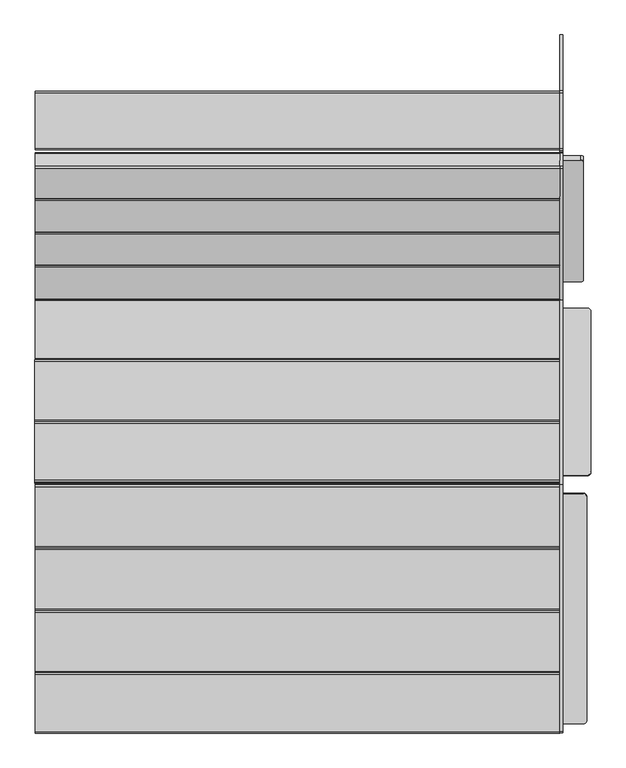
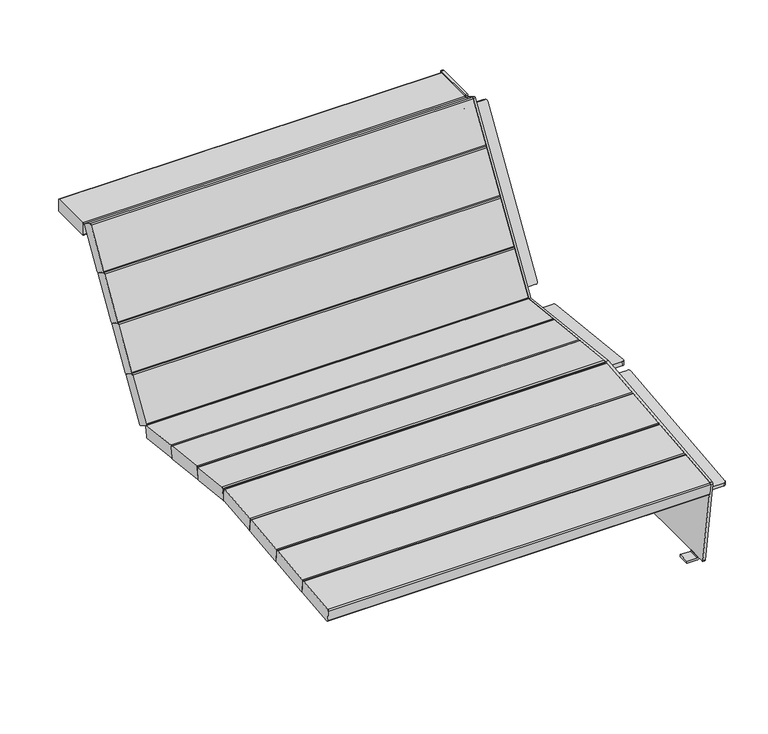
"""IFC4 building model written with IfcOpenShell, lengths in millimetres: furniture geometry."""

from ifc_helpers import new_model, si_unit, point, frame, frame_2d, origin, place, context, project, spatial, polyline, circle_curve, trimmed, segment, composite_curve, outline, extrude, source, transform, mapped, element, save
from ifc_brep_helpers import plane_surface, cylinder_surface, revolved_surface, advanced_brep


def furniture_2f84357f(model_context):
    return source(origin(), model_context, "Body", "SolidModel", [
        advanced_brep(
        [(657.0, -602.7666168, 11.1667328), (657.0, -602.7666168, 10.1913955), (654.9504798, -602.7666168, 8.1418753), (619.6140905, -602.7666168, 8.1418753), (619.6140905, -602.7666168, 0.0), (655.3306071, -602.7666168, 0.0), (664.3530995, -602.7666168, 9.0224925), (664.3530995, -602.7666168, 11.1667328), (664.3530995, -563.2447437, 9.0224925), (655.3306071, -563.2447437, 0.0), (619.6140905, -563.2447437, 0.0), (619.6140905, -563.2447437, 8.1418753), (654.9504798, -563.2447437, 8.1418753), (657.0, -563.2447437, 10.1913955), (657.0, -563.2447437, 11.1667328), (664.3530995, -563.2447437, 11.1667328), (664.3530995, 563.2447437, 11.1667328), (664.3530995, 563.2447437, 9.0224925), (664.3530995, 602.7666168, 9.0224925), (664.3530995, 602.7666168, 11.1667328), (664.3530995, 632.5906619, 11.1667328), (664.3530995, 773.4237437, 842.4923379), (664.3530995, 771.6128802, 846.5443154), (664.3530995, 739.2072979, 866.9704616), (664.3530995, 733.6829682, 865.7075655), (664.3530995, 404.0685244, 338.6611211), (664.3530995, -55.947887, 389.484152), (664.3530995, -674.4279697, 323.9359283), (664.3530995, -677.9699267, 319.3675424), (664.3530995, -633.0934986, 14.5818314), (664.3530995, -629.1387431, 11.1667328), (664.3530995, -78.8661308, 338.9146392), (664.3530995, -653.6519252, 278.0435414), (664.3530995, -654.9467804, 290.270434), (664.3530995, -80.160986, 351.1415319), (664.3530995, 382.3486398, 292.0493405), (664.3530995, -35.1599653, 337.72827), (664.3530995, -33.6978416, 351.0921834), (664.3530995, 383.8107636, 305.4132539), (664.3530995, 765.0097054, 825.034546), (664.3530995, 461.1781383, 337.8735415), (664.3530995, 449.6926183, 345.0368069), (664.3530995, 753.5241854, 832.1978113), (657.0, -629.1387431, 11.1667328), (657.0, -633.0934986, 14.5818314), (657.0, -677.9699267, 319.3675424), (657.0, -674.4279697, 323.9359283), (657.0, -55.947887, 389.484152), (657.0, 404.0685244, 338.6611211), (657.0, 733.6829682, 865.7075655), (657.0, 739.2072979, 866.9704616), (657.0, 771.6128802, 846.5443154), (657.0, 773.4237437, 842.4923379), (657.0, 632.5906619, 11.1667328), (657.0, 602.7666168, 11.1667328), (657.0, 602.7666168, 10.1913955), (657.0, 563.2447437, 10.1913955), (657.0, 563.2447437, 11.1667328), (657.0, -653.6519252, 278.0435414), (657.0, -78.8661308, 338.9146392), (657.0, -80.160986, 351.1415319), (657.0, -654.9467804, 290.270434), (657.0, -35.1599653, 337.72827), (657.0, 382.3486398, 292.0493405), (657.0, 383.8107636, 305.4132539), (657.0, -33.6978416, 351.0921834), (657.0, 461.1781383, 337.8735415), (657.0, 765.0097054, 825.034546), (657.0, 753.5241854, 832.1978113), (657.0, 449.6926183, 345.0368069), (655.3306071, 602.7666168, 0.0), (619.6140905, 602.7666168, 0.0), (619.6140905, 602.7666168, 8.1418753), (654.9504798, 602.7666168, 8.1418753), (654.9504798, 563.2447437, 8.1418753), (619.6140905, 563.2447437, 8.1418753), (619.6140905, 563.2447437, 0.0), (655.3306071, 563.2447437, 0.0), (604.4271055, -653.6519252, 278.0435414), (597.4149997, -646.6788132, 278.7820095), (597.4149997, -85.6883316, 338.192153), (605.3334086, -78.8661308, 338.9146392), (605.3334086, -80.160986, 351.1415319), (597.4149997, -86.9831868, 350.4190456), (597.4149997, -647.9736684, 291.0089021), (604.4271055, -654.9467804, 290.270434), (595.0, -35.1599653, 337.72827), (587.0, -27.2074205, 336.8581951), (587.0, 374.396095, 292.9194153), (595.0, 382.3486398, 292.0493405), (595.0, 383.8107636, 305.4132539), (587.0, 375.8582188, 306.2833288), (587.0, -25.7452967, 350.2221086), (595.0, -33.6978416, 351.0921834), (612.6860654, 765.0097054, 825.034546), (612.7281757, 461.1781383, 337.8735415), (605.7574577, 464.8669867, 343.7882103), (605.7574577, 760.7776544, 818.2489107), (612.6860654, 753.5241854, 832.1978113), (605.7574577, 749.2921345, 825.4121761), (605.7574577, 453.3814667, 350.9514757), (612.7281757, 449.6926183, 345.0368069), (716.0196909, -78.8661308, 338.9146392), (723.9380998, -85.6883316, 338.192153), (723.9380998, -646.6788132, 278.7820095), (716.925994, -653.6519252, 278.0435414), (716.925994, -654.9467804, 290.270434), (723.9380998, -647.9736684, 291.0089021), (723.9380998, -86.9831868, 350.4190456), (716.0196909, -80.160986, 351.1415319), (726.3530995, 382.3486398, 292.0493405), (734.3530995, 374.396095, 292.9194153), (734.3530995, -27.2074205, 336.8581951), (726.3530995, -35.1599653, 337.72827), (726.3530995, -33.6978416, 351.0921834), (734.3530995, -25.7452967, 350.2221086), (734.3530995, 375.8582188, 306.2833288), (726.3530995, 383.8107636, 305.4132539), (708.6670341, 765.0097054, 825.034546), (715.5956418, 760.7776544, 818.2489107), (715.5956418, 464.8669867, 343.7882103), (708.6249239, 461.1781383, 337.8735415), (708.6670341, 753.5241854, 832.1978113), (708.6249239, 449.6926183, 345.0368069), (715.5956418, 453.3814667, 350.9514757), (715.5956418, 749.2921345, 825.4121761)],
        [
            (0, 1),
            (1, 2, circle_curve(frame((654.9504798, -602.7666168, 10.1913955), z_axis=(0.0, 1.0, 0.0), x_axis=(1.0, 0.0, 0.0)), 2.0495202)),
            (2, 3),
            (3, 4),
            (4, 5),
            (5, 6, circle_curve(frame((655.3306071, -602.7666168, 9.0224925), z_axis=(0.0, -1.0, 0.0), x_axis=(1.0, 0.0, 0.0)), 9.0224925)),
            (6, 7),
            (7, 0),
            (8, 9, circle_curve(frame((655.3306071, -563.2447437, 9.0224925), z_axis=(0.0, 1.0, 0.0), x_axis=(1.0, 0.0, 0.0)), 9.0224925)),
            (9, 10),
            (10, 11),
            (11, 12),
            (12, 13, circle_curve(frame((654.9504798, -563.2447437, 10.1913955), z_axis=(0.0, -1.0, 0.0), x_axis=(1.0, 0.0, 0.0)), 2.0495202)),
            (13, 14),
            (14, 15),
            (15, 8),
            (0, 14),
            (13, 1),
            (12, 2),
            (11, 3),
            (10, 4),
            (9, 5),
            (8, 6),
            (15, 16),
            (16, 17),
            (17, 18),
            (18, 19),
            (19, 20),
            (20, 21),
            (21, 22, circle_curve(frame((664.3530995, 769.4799351, 843.16045), z_axis=(1.0, 0.0, 0.0), x_axis=(0.0, 1.0, 0.0)), 4.0)),
            (22, 23),
            (23, 24, circle_curve(frame((664.3530995, 737.0743528, 863.5865962), z_axis=(1.0, 0.0, 0.0), x_axis=(0.0, 1.0, 0.0)), 4.0)),
            (24, 25),
            (25, 26),
            (26, 27),
            (27, 28, circle_curve(frame((664.3530995, -674.0056613, 319.951238), z_axis=(1.0, 0.0, 0.0), x_axis=(0.0, 1.0, 0.0)), 4.0070065)),
            (28, 29),
            (29, 30, circle_curve(frame((664.3530995, -629.1387431, 15.1641267), z_axis=(1.0, 0.0, 0.0), x_axis=(0.0, 1.0, 0.0)), 3.997394)),
            (30, 7),
            (31, 32),
            (32, 33),
            (33, 34),
            (34, 31),
            (35, 36),
            (36, 37),
            (37, 38),
            (38, 35),
            (39, 40),
            (40, 41),
            (41, 42),
            (42, 39),
            (0, 43),
            (43, 44, circle_curve(frame((657.0, -629.1387431, 15.1641267), z_axis=(-1.0, 0.0, 0.0), x_axis=(0.0, 1.0, 0.0)), 3.997394)),
            (44, 45),
            (45, 46, circle_curve(frame((657.0, -674.0056613, 319.951238), z_axis=(-1.0, 0.0, 0.0), x_axis=(0.0, 1.0, 0.0)), 4.0070065)),
            (46, 47),
            (47, 48),
            (48, 49),
            (49, 50, circle_curve(frame((657.0, 737.0743528, 863.5865962), z_axis=(-1.0, 0.0, 0.0), x_axis=(0.0, 1.0, 0.0)), 4.0)),
            (50, 51),
            (51, 52, circle_curve(frame((657.0, 769.4799351, 843.16045), z_axis=(-1.0, 0.0, 0.0), x_axis=(0.0, 1.0, 0.0)), 4.0)),
            (52, 53),
            (53, 54),
            (54, 55),
            (55, 56),
            (56, 57),
            (57, 14),
            (58, 59),
            (59, 60),
            (60, 61),
            (61, 58),
            (62, 63),
            (63, 64),
            (64, 65),
            (65, 62),
            (66, 67),
            (67, 68),
            (68, 69),
            (69, 66),
            (29, 44),
            (43, 30),
            (57, 16),
            (53, 20),
            (19, 54),
            (52, 21),
            (51, 22),
            (50, 23),
            (49, 24),
            (48, 25),
            (47, 26),
            (46, 27),
            (45, 28),
            (18, 70, circle_curve(frame((655.3306071, 602.7666168, 9.0224925), z_axis=(0.0, 1.0, 0.0), x_axis=(1.0, 0.0, 0.0)), 9.0224925)),
            (70, 71),
            (71, 72),
            (72, 73),
            (73, 55, circle_curve(frame((654.9504798, 602.7666168, 10.1913955), z_axis=(0.0, -1.0, 0.0), x_axis=(1.0, 0.0, 0.0)), 2.0495202)),
            (56, 74, circle_curve(frame((654.9504798, 563.2447437, 10.1913955), z_axis=(0.0, 1.0, 0.0), x_axis=(1.0, 0.0, 0.0)), 2.0495202)),
            (74, 75),
            (75, 76),
            (76, 77),
            (77, 17, circle_curve(frame((655.3306071, 563.2447437, 9.0224925), z_axis=(0.0, -1.0, 0.0), x_axis=(1.0, 0.0, 0.0)), 9.0224925)),
            (73, 74),
            (72, 75),
            (71, 76),
            (70, 77),
            (58, 78),
            (78, 79, circle_curve(frame((604.4271055, -646.6788132, 278.7820095), z_axis=(0.0, 0.10531331814140793, -0.9944390906546497), x_axis=(1.0, 0.0, 0.0)), 7.0121058)),
            (79, 80),
            (80, 81, circle_curve(frame((605.3334086, -86.8216436, 338.0721327), z_axis=(0.0, 0.10531331814140793, -0.9944390906546497), x_axis=(-1.0, 0.0, 0.0)), 8.0)),
            (81, 59),
            (60, 82),
            (82, 83, circle_curve(frame((605.3334086, -88.1164988, 350.2990253), z_axis=(0.0, -0.10531331814140793, 0.9944390906546497), x_axis=(-1.0, 0.0, 0.0)), 8.0)),
            (83, 84),
            (84, 85, circle_curve(frame((604.4271055, -647.9736684, 291.0089021), z_axis=(0.0, -0.10531331814140793, 0.9944390906546497), x_axis=(1.0, 0.0, 0.0)), 7.0121058)),
            (85, 61),
            (81, 82),
            (80, 83),
            (85, 78),
            (84, 79),
            (62, 86),
            (86, 87, circle_curve(frame((595.0, -27.2074205, 336.8581951), z_axis=(0.0, -0.10875935595835198, -0.9940681075718728), x_axis=(0.0, 0.9940681075718728, -0.10875935595835198)), 8.0)),
            (87, 88),
            (88, 89, circle_curve(frame((595.0, 374.396095, 292.9194153), z_axis=(0.0, -0.10875935595835198, -0.9940681075718728), x_axis=(0.0, 0.9940681075718728, -0.10875935595835198)), 8.0)),
            (89, 63),
            (64, 90),
            (90, 91, circle_curve(frame((595.0, 375.8582188, 306.2833288), z_axis=(0.0, 0.10875935595835198, 0.9940681075718728), x_axis=(0.0, 0.9940681075718728, -0.10875935595835198)), 8.0)),
            (91, 92),
            (92, 93, circle_curve(frame((595.0, -25.7452967, 350.2221086), z_axis=(0.0, 0.10875935595835198, 0.9940681075718728), x_axis=(0.0, 0.9940681075718728, -0.10875935595835198)), 8.0)),
            (93, 65),
            (89, 90),
            (88, 91),
            (87, 92),
            (86, 93),
            (94, 67),
            (66, 95),
            (95, 96, circle_curve(frame((612.7281757, 464.8669867, 343.7882103), z_axis=(0.0, 0.8485020904898253, -0.5291920279391936), x_axis=(1.0, 0.0, 0.0)), 6.970718)),
            (96, 97),
            (97, 94, circle_curve(frame((612.6860654, 761.3053612, 819.0950313), z_axis=(0.0, 0.8485020904898253, -0.5291920279391936), x_axis=(-1.0, 0.0, 0.0)), 7.0)),
            (98, 99, circle_curve(frame((612.6860654, 749.8198412, 826.2582967), z_axis=(0.0, -0.8485020904898253, 0.5291920279391936), x_axis=(-1.0, 0.0, 0.0)), 7.0)),
            (99, 100),
            (100, 101, circle_curve(frame((612.7281757, 453.3814667, 350.9514757), z_axis=(0.0, -0.8485020904898253, 0.5291920279391936), x_axis=(1.0, 0.0, 0.0)), 6.970718)),
            (101, 69),
            (68, 98),
            (97, 99),
            (98, 94),
            (101, 95),
            (100, 96),
            (31, 102),
            (102, 103, circle_curve(frame((716.0196909, -86.8216436, 338.0721327), z_axis=(0.0, 0.10531331814140794, -0.9944390906546497), x_axis=(1.0, 0.0, 0.0)), 8.0)),
            (103, 104),
            (104, 105, circle_curve(frame((716.925994, -646.6788132, 278.7820095), z_axis=(0.0, 0.10531331814140794, -0.9944390906546497), x_axis=(-1.0, 0.0, 0.0)), 7.0121058)),
            (105, 32),
            (33, 106),
            (106, 107, circle_curve(frame((716.925994, -647.9736684, 291.0089021), z_axis=(0.0, -0.10531331814140794, 0.9944390906546497), x_axis=(-1.0, 0.0, 0.0)), 7.0121058)),
            (107, 108),
            (108, 109, circle_curve(frame((716.0196909, -88.1164988, 350.2990253), z_axis=(0.0, -0.10531331814140794, 0.9944390906546497), x_axis=(1.0, 0.0, 0.0)), 8.0)),
            (109, 34),
            (109, 102),
            (108, 103),
            (105, 106),
            (104, 107),
            (35, 110),
            (110, 111, circle_curve(frame((726.3530995, 374.396095, 292.9194153), z_axis=(0.0, -0.10875935595835198, -0.9940681075718728), x_axis=(0.0, 0.9940681075718728, -0.10875935595835198)), 8.0)),
            (111, 112),
            (112, 113, circle_curve(frame((726.3530995, -27.2074205, 336.8581951), z_axis=(0.0, -0.10875935595835198, -0.9940681075718728), x_axis=(0.0, 0.9940681075718728, -0.10875935595835198)), 8.0)),
            (113, 36),
            (37, 114),
            (114, 115, circle_curve(frame((726.3530995, -25.7452967, 350.2221086), z_axis=(0.0, 0.10875935595835198, 0.9940681075718728), x_axis=(0.0, 0.9940681075718728, -0.10875935595835198)), 8.0)),
            (115, 116),
            (116, 117, circle_curve(frame((726.3530995, 375.8582188, 306.2833288), z_axis=(0.0, 0.10875935595835198, 0.9940681075718728), x_axis=(0.0, 0.9940681075718728, -0.10875935595835198)), 8.0)),
            (117, 38),
            (117, 110),
            (116, 111),
            (115, 112),
            (114, 113),
            (118, 119, circle_curve(frame((708.6670341, 761.3053612, 819.0950313), z_axis=(0.0, 0.8485020904898253, -0.5291920279391936), x_axis=(1.0, 0.0, 0.0)), 7.0)),
            (119, 120),
            (120, 121, circle_curve(frame((708.6249239, 464.8669867, 343.7882103), z_axis=(0.0, 0.8485020904898253, -0.5291920279391936), x_axis=(-1.0, 0.0, 0.0)), 6.970718)),
            (121, 40),
            (39, 118),
            (122, 42),
            (41, 123),
            (123, 124, circle_curve(frame((708.6249239, 453.3814667, 350.9514757), z_axis=(0.0, -0.8485020904898253, 0.5291920279391936), x_axis=(-1.0, 0.0, 0.0)), 6.970718)),
            (124, 125),
            (125, 122, circle_curve(frame((708.6670341, 749.8198412, 826.2582967), z_axis=(0.0, -0.8485020904898253, 0.5291920279391936), x_axis=(1.0, 0.0, 0.0)), 7.0)),
            (118, 122),
            (125, 119),
            (121, 123),
            (120, 124),
        ],
        [
            plane_surface(frame((657.0, -602.7666168, 11.1667328), z_axis=(0.0, -1.0, 0.0), x_axis=(0.0, 0.0, -1.0))),
            plane_surface(frame((657.0, -563.2447437, 11.1667328), z_axis=(0.0, 1.0, 0.0), x_axis=(0.0, 0.0, 1.0))),
            plane_surface(frame((657.0, -602.7666168, 11.1667328), z_axis=(-1.0, 0.0, 0.0), x_axis=(0.0, 1.0, 0.0))),
            revolved_surface(polyline([(657.0, -563.2447437, 10.1913955), (657.0, -602.7666168, 10.1913955)]), (654.9504798, -563.2447437, 10.1913955), (0.0, 1.0, 0.0)),
            plane_surface(frame((654.9504798, -602.7666168, 8.1418753), z_axis=(0.0, 0.0, 1.0), x_axis=(0.0, 1.0, 0.0))),
            plane_surface(frame((619.6140905, -602.7666168, 8.1418753), z_axis=(-1.0, 0.0, 0.0), x_axis=(0.0, 1.0, 0.0))),
            plane_surface(frame((619.6140905, -602.7666168, 0.0), z_axis=(0.0, 0.0, -1.0), x_axis=(0.0, 1.0, 0.0))),
            cylinder_surface(frame((655.3306071, -563.2447437, 9.0224925), z_axis=(0.0, -1.0, 0.0), x_axis=(1.0, 0.0, 0.0)), 9.0224925),
            plane_surface(frame((664.3530995, -602.7666168, 9.0224925), z_axis=(1.0, 0.0, 0.0), x_axis=(0.0, 1.0, 0.0))),
            plane_surface(frame((657.0, -602.7666168, 15.0954559), z_axis=(-1.0, 0.0, 0.0), x_axis=(0.0, 1.0, 0.0))),
            cylinder_surface(frame((657.0, -629.1387431, 15.1641267), z_axis=(1.0, 0.0, 0.0), x_axis=(0.0, 1.0, 0.0)), 3.997394),
            plane_surface(frame((664.3530995, -629.1387431, 11.1667328), z_axis=(0.0, 0.0, -1.0), x_axis=(-1.0, 0.0, 0.0))),
            plane_surface(frame((664.3530995, 632.5906619, 11.1667328), z_axis=(0.0, 0.985952147265219, -0.16702803148904108), x_axis=(-1.0, 0.0, 0.0))),
            cylinder_surface(frame((657.0, 769.4799351, 843.16045), z_axis=(1.0, 0.0, 0.0), x_axis=(0.0, 1.0, 0.0)), 4.0),
            plane_surface(frame((664.3530995, 771.6128802, 846.5443154), z_axis=(0.0, 0.5332362847455439, 0.845966349585354), x_axis=(-1.0, 0.0, 0.0))),
            cylinder_surface(frame((657.0, 737.0743528, 863.5865962), z_axis=(1.0, 0.0, 0.0), x_axis=(0.0, 1.0, 0.0)), 4.0),
            plane_surface(frame((664.3530995, 733.6829682, 865.7075655), z_axis=(0.0, -0.8478461383112661, 0.5302423273850114), x_axis=(-1.0, 0.0, 0.0))),
            plane_surface(frame((664.3530995, 404.0685244, 338.6611211), z_axis=(0.0, 0.10981275199900425, 0.9939522923653857), x_axis=(-1.0, 0.0, 0.0))),
            plane_surface(frame((664.3530995, -55.947887, 389.484152), z_axis=(0.0, -0.10539250642220668, 0.9944307012507434), x_axis=(-1.0, 0.0, 0.0))),
            cylinder_surface(frame((657.0, -674.0056613, 319.951238), z_axis=(1.0, 0.0, 0.0), x_axis=(0.0, 1.0, 0.0)), 4.0070065),
            plane_surface(frame((664.3530995, -677.9699267, 319.3675424), z_axis=(0.0, -0.9893334212997198, -0.14566873892291154), x_axis=(-1.0, 0.0, 0.0))),
            plane_surface(frame((657.0, 602.7666168, 15.0954559), z_axis=(0.0, 1.0, 0.0), x_axis=(0.0, 0.0, 1.0))),
            plane_surface(frame((657.0, 563.2447437, 15.0954559), z_axis=(0.0, -1.0, 0.0), x_axis=(0.0, 0.0, -1.0))),
            revolved_surface(polyline([(657.0, 563.2447437, 10.1913955), (657.0, 602.7666168, 10.1913955)]), (654.9504798, 563.2447437, 10.1913955), (0.0, -1.0, 0.0)),
            plane_surface(frame((619.6140905, 602.7666168, 8.1418753), z_axis=(0.0, 0.0, 1.0), x_axis=(0.0, -1.0, 0.0))),
            plane_surface(frame((619.6140905, 602.7666168, 0.0), z_axis=(-1.0, 0.0, 0.0), x_axis=(0.0, -1.0, 0.0))),
            plane_surface(frame((655.3306071, 602.7666168, 0.0), z_axis=(0.0, 0.0, -1.0), x_axis=(0.0, -1.0, 0.0))),
            cylinder_surface(frame((655.3306071, 563.2447437, 9.0224925), z_axis=(0.0, 1.0, 0.0), x_axis=(1.0, 0.0, 0.0)), 9.0224925),
            plane_surface(frame((607.6361934, -653.6519252, 278.0435414), z_axis=(0.0, 0.10531331814140793, -0.9944390906546497), x_axis=(-1.0, 0.0, 0.0))),
            plane_surface(frame((607.6361934, -654.9467804, 290.270434), z_axis=(0.0, -0.10531331814140793, 0.9944390906546497), x_axis=(1.0, 0.0, 0.0))),
            plane_surface(frame((605.3334086, -78.8661308, 338.9146392), z_axis=(0.0, 0.9944390906546499, 0.10531331814140715), x_axis=(0.0, -0.10531331814140715, 0.9944390906546499))),
            cylinder_surface(frame((605.3334086, -88.1164988, 350.2990253), z_axis=(0.0, 0.10531331814140793, -0.9944390906546497), x_axis=(-1.0, 0.0, 0.0)), 8.0),
            plane_surface(frame((657.0, -653.6519252, 278.0435414), z_axis=(0.0, -0.9944390906546492, -0.10531331814141288), x_axis=(0.0, -0.10531331814141288, 0.9944390906546492))),
            cylinder_surface(frame((604.4271055, -647.9736684, 291.0089021), z_axis=(0.0, 0.10531331814140793, -0.9944390906546497), x_axis=(1.0, 0.0, 0.0)), 7.0121058),
            plane_surface(frame((597.4149997, -646.6788132, 278.7820095), z_axis=(-1.0, 0.0, 0.0), x_axis=(0.0, -0.10531331814141288, 0.9944390906546492))),
            plane_surface(frame((657.0, -35.1599653, 337.72827), z_axis=(0.0, -0.10875935595835198, -0.9940681075718728), x_axis=(0.0, -0.9940681075718728, 0.10875935595835198))),
            plane_surface(frame((657.0, -33.6978416, 351.0921834), z_axis=(0.0, 0.10875935595835198, 0.9940681075718728), x_axis=(0.0, 0.9940681075718728, -0.10875935595835198))),
            plane_surface(frame((595.0, 382.3486398, 292.0493405), z_axis=(0.0, 0.9940681075718729, -0.10875935595835155), x_axis=(0.0, 0.10875935595835155, 0.9940681075718729))),
            cylinder_surface(frame((595.0, 375.8582188, 306.2833288), z_axis=(0.0, -0.10875935595835198, -0.9940681075718728), x_axis=(0.0, 0.9940681075718728, -0.10875935595835198)), 8.0),
            plane_surface(frame((587.0, -27.2074205, 336.8581951), z_axis=(-1.0, 0.0, 0.0), x_axis=(0.0, 0.10875935595835222, 0.9940681075718728))),
            cylinder_surface(frame((595.0, -25.7452967, 350.2221086), z_axis=(0.0, -0.10875935595835198, -0.9940681075718728), x_axis=(0.0, 0.9940681075718728, -0.10875935595835198)), 8.0),
            plane_surface(frame((657.0, -35.1599653, 337.72827), z_axis=(0.0, -0.9940681075718728, 0.1087593559583519), x_axis=(0.0, 0.1087593559583519, 0.9940681075718728))),
            plane_surface(frame((657.1685248, 765.0097054, 825.034546), z_axis=(0.0, 0.8485020904898253, -0.5291920279391936), x_axis=(1.0, 0.0, 0.0))),
            plane_surface(frame((657.1685248, 753.5241854, 832.1978113), z_axis=(0.0, -0.8485020904898253, 0.5291920279391936), x_axis=(-1.0, 0.0, 0.0))),
            cylinder_surface(frame((612.6860654, 749.8198412, 826.2582967), z_axis=(0.0, 0.8485020904898253, -0.5291920279391936), x_axis=(-1.0, 0.0, 0.0)), 7.0),
            plane_surface(frame((657.0, 461.1781383, 337.8735415), z_axis=(0.0, -0.5291920279391971, -0.8485020904898233), x_axis=(0.0, -0.8485020904898233, 0.5291920279391971))),
            plane_surface(frame((612.6860654, 765.0097054, 825.034546), z_axis=(0.0, 0.5291920279391971, 0.8485020904898233), x_axis=(0.0, -0.8485020904898233, 0.5291920279391971))),
            cylinder_surface(frame((612.7281757, 453.3814667, 350.9514757), z_axis=(0.0, 0.8485020904898253, -0.5291920279391936), x_axis=(1.0, 0.0, 0.0)), 6.970718),
            plane_surface(frame((605.7574577, 464.8669867, 343.7882103), z_axis=(-1.0, 0.0, 0.0), x_axis=(0.0, -0.8485020904898283, 0.529192027939189))),
            plane_surface(frame((664.3530995, -653.6519252, 278.0435414), z_axis=(0.0, 0.10531331814140794, -0.9944390906546497), x_axis=(0.0, 0.9944390906546497, 0.10531331814140794))),
            plane_surface(frame((664.3530995, -654.9467804, 290.270434), z_axis=(0.0, -0.10531331814140794, 0.9944390906546497), x_axis=(0.0, -0.9944390906546497, -0.10531331814140794))),
            plane_surface(frame((664.3530995, -78.8661308, 338.9146392), z_axis=(0.0, 0.9944390906546499, 0.10531331814140715), x_axis=(0.0, -0.10531331814140715, 0.9944390906546499))),
            cylinder_surface(frame((716.0196909, -88.1164988, 350.2990253), z_axis=(0.0, 0.10531331814140794, -0.9944390906546497), x_axis=(1.0, 0.0, 0.0)), 8.0),
            plane_surface(frame((716.925994, -653.6519252, 278.0435414), z_axis=(0.0, -0.9944390906546492, -0.10531331814141288), x_axis=(0.0, -0.10531331814141288, 0.9944390906546492))),
            cylinder_surface(frame((716.925994, -647.9736684, 291.0089021), z_axis=(0.0, 0.10531331814140794, -0.9944390906546497), x_axis=(-1.0, 0.0, 0.0)), 7.0121058),
            plane_surface(frame((723.9380998, -85.6883316, 338.192153), z_axis=(1.0, 0.0, 0.0), x_axis=(0.0, -0.10531331814140715, 0.9944390906546499))),
            plane_surface(frame((664.3530995, 382.3486398, 292.0493405), z_axis=(0.0, -0.10875935595835198, -0.9940681075718728), x_axis=(1.0, 0.0, 0.0))),
            plane_surface(frame((664.3530995, 383.8107636, 305.4132539), z_axis=(0.0, 0.10875935595835198, 0.9940681075718728), x_axis=(-1.0, 0.0, 0.0))),
            plane_surface(frame((664.3530995, 382.3486398, 292.0493405), z_axis=(0.0, 0.9940681075718729, -0.10875935595835155), x_axis=(0.0, 0.10875935595835155, 0.9940681075718729))),
            cylinder_surface(frame((726.3530995, 375.8582188, 306.2833288), z_axis=(0.0, -0.10875935595835198, -0.9940681075718728), x_axis=(0.0, 0.9940681075718728, -0.10875935595835198)), 8.0),
            plane_surface(frame((734.3530995, 374.396095, 292.9194153), z_axis=(1.0, 0.0, 0.0), x_axis=(0.0, 0.10875935595835155, 0.9940681075718729))),
            cylinder_surface(frame((726.3530995, -25.7452967, 350.2221086), z_axis=(0.0, -0.10875935595835198, -0.9940681075718728), x_axis=(0.0, 0.9940681075718728, -0.10875935595835198)), 8.0),
            plane_surface(frame((726.3530995, -35.1599653, 337.72827), z_axis=(0.0, -0.9940681075718729, 0.10875935595835183), x_axis=(0.0, 0.10875935595835183, 0.9940681075718729))),
            plane_surface(frame((715.6670341, 761.3053612, 819.0950313), z_axis=(0.0, 0.8485020904898254, -0.5291920279391936), x_axis=(0.0, -0.5291920279391936, -0.8485020904898254))),
            plane_surface(frame((715.6670341, 749.8198412, 826.2582967), z_axis=(0.0, -0.8485020904898254, 0.5291920279391936), x_axis=(0.0, 0.5291920279391936, 0.8485020904898254))),
            cylinder_surface(frame((708.6670341, 749.8198412, 826.2582967), z_axis=(0.0, 0.8485020904898253, -0.5291920279391936), x_axis=(1.0, 0.0, 0.0)), 7.0),
            plane_surface(frame((708.6249239, 461.1781383, 337.8735415), z_axis=(0.0, -0.5291920279391912, -0.8485020904898268), x_axis=(0.0, -0.8485020904898268, 0.5291920279391912))),
            plane_surface(frame((664.3530995, 765.0097054, 825.034546), z_axis=(0.0, 0.5291920279391971, 0.8485020904898233), x_axis=(0.0, -0.8485020904898233, 0.5291920279391971))),
            cylinder_surface(frame((708.6249239, 453.3814667, 350.9514757), z_axis=(0.0, 0.8485020904898253, -0.5291920279391936), x_axis=(-1.0, 0.0, 0.0)), 6.970718),
            plane_surface(frame((715.5956418, 760.7776544, 818.2489107), z_axis=(1.0000000000000002, 0.0, 0.0), x_axis=(0.0, -0.8485020904898233, 0.5291920279391971))),
        ],
        [
            (0, [[1, 2, 3, 4, 5, 6, 7, 8]]),
            (1, [[9, 10, 11, 12, 13, 14, 15, 16]]),
            (2, [[-1, 17, -14, 18]]),
            (3, [[-2, -18, -13, 19]]),
            (4, [[-3, -19, -12, 20]]),
            (5, [[-4, -20, -11, 21]]),
            (6, [[-5, -21, -10, 22]]),
            (7, [[-6, -22, -9, 23]]),
            (8, [[-23, -16, 24, 25, 26, 27, 28, 29, 30, 31, 32, 33, 34, 35, 36, 37, 38, 39, -7], [40, 41, 42, 43], [44, 45, 46, 47], [48, 49, 50, 51]]),
            (9, [[-17, 52, 53, 54, 55, 56, 57, 58, 59, 60, 61, 62, 63, 64, 65, 66, 67], [68, 69, 70, 71], [72, 73, 74, 75], [76, 77, 78, 79]]),
            (10, [[-38, 80, -53, 81]]),
            (11, [[-15, -67, 82, -24]]),
            (11, [[-81, -52, -8, -39]]),
            (11, [[83, -28, 84, -63]]),
            (12, [[-29, -83, -62, 85]]),
            (13, [[-30, -85, -61, 86]]),
            (14, [[-31, -86, -60, 87]]),
            (15, [[-32, -87, -59, 88]]),
            (16, [[-33, -88, -58, 89]]),
            (17, [[-34, -89, -57, 90]]),
            (18, [[-35, -90, -56, 91]]),
            (19, [[-36, -91, -55, 92]]),
            (20, [[-37, -92, -54, -80]]),
            (21, [[93, 94, 95, 96, 97, -64, -84, -27]]),
            (22, [[-66, 98, 99, 100, 101, 102, -25, -82]]),
            (23, [[-97, 103, -98, -65]]),
            (24, [[-96, 104, -99, -103]]),
            (25, [[-95, 105, -100, -104]]),
            (26, [[-94, 106, -101, -105]]),
            (27, [[-93, -26, -102, -106]]),
            (28, [[107, 108, 109, 110, 111, -68]]),
            (29, [[112, 113, 114, 115, 116, -70]]),
            (30, [[-111, 117, -112, -69]]),
            (31, [[-110, 118, -113, -117]]),
            (32, [[-107, -71, -116, 119]]),
            (33, [[-108, -119, -115, 120]]),
            (34, [[-109, -120, -114, -118]]),
            (35, [[121, 122, 123, 124, 125, -72]]),
            (36, [[126, 127, 128, 129, 130, -74]]),
            (37, [[-125, 131, -126, -73]]),
            (38, [[-124, 132, -127, -131]]),
            (39, [[-123, 133, -128, -132]]),
            (40, [[-122, 134, -129, -133]]),
            (41, [[-121, -75, -130, -134]]),
            (42, [[135, -76, 136, 137, 138, 139]]),
            (43, [[140, 141, 142, 143, -78, 144]]),
            (44, [[-139, 145, -140, 146]]),
            (45, [[-136, -79, -143, 147]]),
            (46, [[-135, -146, -144, -77]]),
            (47, [[-137, -147, -142, 148]]),
            (48, [[-138, -148, -141, -145]]),
            (49, [[149, 150, 151, 152, 153, -40]]),
            (50, [[154, 155, 156, 157, 158, -42]]),
            (51, [[-149, -43, -158, 159]]),
            (52, [[-150, -159, -157, 160]]),
            (53, [[-153, 161, -154, -41]]),
            (54, [[-152, 162, -155, -161]]),
            (55, [[-151, -160, -156, -162]]),
            (56, [[163, 164, 165, 166, 167, -44]]),
            (57, [[168, 169, 170, 171, 172, -46]]),
            (58, [[-163, -47, -172, 173]]),
            (59, [[-164, -173, -171, 174]]),
            (60, [[-165, -174, -170, 175]]),
            (61, [[-166, -175, -169, 176]]),
            (62, [[-167, -176, -168, -45]]),
            (63, [[177, 178, 179, 180, -48, 181]]),
            (64, [[182, -50, 183, 184, 185, 186]]),
            (65, [[-177, 187, -186, 188]]),
            (66, [[-180, 189, -183, -49]]),
            (67, [[-181, -51, -182, -187]]),
            (68, [[-179, 190, -184, -189]]),
            (69, [[-178, -188, -185, -190]]),
        ],
    ),
        extrude(outline(composite_curve([segment(polyline([(689.8360354, 718.7427227), (658.4414581, 738.3228278)]), True, "CONTINUOUS"), segment(trimmed(circle_curve(frame_2d((660.5582262, 741.7168361)), 4.0), [point((658.4414581, 738.3228278))], [point((657.1642178, 743.8336042))], False, "CARTESIAN"), True, "CONTINUOUS"), segment(polyline([(657.1642178, 743.8336042), (733.4991308, 866.2283681)]), True, "CONTINUOUS"), segment(trimmed(circle_curve(frame_2d((736.8931392, 864.1115999)), 4.0), [point((733.4991308, 866.2283681))], [point((739.0099073, 867.5056083))], False, "CARTESIAN"), True, "CONTINUOUS"), segment(polyline([(739.0099073, 867.5056083), (770.4044847, 847.9255033)]), True, "CONTINUOUS"), segment(trimmed(circle_curve(frame_2d((768.2877166, 844.5314949)), 4.0), [point((770.4044847, 847.9255033))], [point((771.6817249, 842.4147268))], False, "CARTESIAN"), True, "CONTINUOUS"), segment(polyline([(771.6817249, 842.4147268), (695.3468119, 720.019963)]), True, "CONTINUOUS"), segment(trimmed(circle_curve(frame_2d((691.9528035, 722.1367311)), 4.0), [point((695.3468119, 720.019963))], [point((689.8360354, 718.7427227))], False, "CARTESIAN"), True, "CONTINUOUS")], self_intersect=False)), frame((-655.9426647, 0.0, 0.0), z_axis=(1.0, 0.0, 0.0), x_axis=(0.0, 1.0, 0.0)), (0.0, 0.0, 1.0), 1312.9426647),
        extrude(outline(composite_curve([segment(polyline([(606.8517862, 585.6864687), (575.4572089, 605.2665737)]), True, "CONTINUOUS"), segment(trimmed(circle_curve(frame_2d((577.573977, 608.6605821)), 4.0), [point((575.4572089, 605.2665737))], [point((574.1799686, 610.7773502))], False, "CARTESIAN"), True, "CONTINUOUS"), segment(polyline([(574.1799686, 610.7773502), (652.9306816, 737.0455875)]), True, "CONTINUOUS"), segment(trimmed(circle_curve(frame_2d((656.32469, 734.9288194)), 4.0), [point((652.9306816, 737.0455875))], [point((658.4414581, 738.3228278))], False, "CARTESIAN"), True, "CONTINUOUS"), segment(polyline([(658.4414581, 738.3228278), (689.8360354, 718.7427227)]), True, "CONTINUOUS"), segment(trimmed(circle_curve(frame_2d((687.7192673, 715.3487144)), 4.0), [point((689.8360354, 718.7427227))], [point((691.1132757, 713.2319463))], False, "CARTESIAN"), True, "CONTINUOUS"), segment(polyline([(691.1132757, 713.2319463), (612.3625627, 586.9637089)]), True, "CONTINUOUS"), segment(trimmed(circle_curve(frame_2d((608.9685544, 589.080477)), 4.0), [point((612.3625627, 586.9637089))], [point((606.8517862, 585.6864687))], False, "CARTESIAN"), True, "CONTINUOUS")], self_intersect=False)), frame((-655.9426647, 0.0, 0.0), z_axis=(1.0, 0.0, 0.0), x_axis=(0.0, 1.0, 0.0)), (0.0, 0.0, 1.0), 1312.9426647),
        extrude(outline(composite_curve([segment(polyline([(523.5785945, 452.1669265), (492.1840171, 471.7470315)]), True, "CONTINUOUS"), segment(trimmed(circle_curve(frame_2d((494.3007852, 475.1410399)), 4.0), [point((492.1840171, 471.7470315))], [point((490.9067769, 477.257808))], False, "CARTESIAN"), True, "CONTINUOUS"), segment(polyline([(490.9067769, 477.257808), (569.9464324, 603.9893335)]), True, "CONTINUOUS"), segment(trimmed(circle_curve(frame_2d((573.3404408, 601.8725654)), 4.0), [point((569.9464324, 603.9893335))], [point((575.4572089, 605.2665737))], False, "CARTESIAN"), True, "CONTINUOUS"), segment(polyline([(575.4572089, 605.2665737), (606.8517862, 585.6864687)]), True, "CONTINUOUS"), segment(trimmed(circle_curve(frame_2d((604.7350181, 582.2924603)), 4.0), [point((606.8517862, 585.6864687))], [point((608.1290265, 580.1756922))], False, "CARTESIAN"), True, "CONTINUOUS"), segment(polyline([(608.1290265, 580.1756922), (529.0893709, 453.4441667)]), True, "CONTINUOUS"), segment(trimmed(circle_curve(frame_2d((525.6953626, 455.5609348)), 4.0), [point((529.0893709, 453.4441667))], [point((523.5785945, 452.1669265))], False, "CARTESIAN"), True, "CONTINUOUS")], self_intersect=False)), frame((-655.9426647, 0.0, 0.0), z_axis=(1.0, 0.0, 0.0), x_axis=(0.0, 1.0, 0.0)), (0.0, 0.0, 1.0), 1312.9426647),
        extrude(outline(composite_curve([segment(polyline([(438.729074, 316.119912), (407.3344967, 335.7000171)]), True, "CONTINUOUS"), segment(trimmed(circle_curve(frame_2d((409.4512648, 339.0940254)), 4.0), [point((407.3344967, 335.7000171))], [point((406.0572564, 341.2107935))], False, "CARTESIAN"), True, "CONTINUOUS"), segment(polyline([(406.0572564, 341.2107935), (486.6732406, 470.4697913)]), True, "CONTINUOUS"), segment(trimmed(circle_curve(frame_2d((490.067249, 468.3530232)), 4.0), [point((486.6732406, 470.4697913))], [point((492.1840171, 471.7470315))], False, "CARTESIAN"), True, "CONTINUOUS"), segment(polyline([(492.1840171, 471.7470315), (523.5785945, 452.1669265)]), True, "CONTINUOUS"), segment(trimmed(circle_curve(frame_2d((521.4618263, 448.7729181)), 4.0), [point((523.5785945, 452.1669265))], [point((524.8558347, 446.65615))], False, "CARTESIAN"), True, "CONTINUOUS"), segment(polyline([(524.8558347, 446.65615), (444.2398505, 317.3971523)]), True, "CONTINUOUS"), segment(trimmed(circle_curve(frame_2d((440.8458421, 319.5139204)), 4.0), [point((444.2398505, 317.3971523))], [point((438.729074, 316.119912))], False, "CARTESIAN"), True, "CONTINUOUS")], self_intersect=False)), frame((-655.9426647, 0.0, 0.0), z_axis=(1.0, 0.0, 0.0), x_axis=(0.0, 1.0, 0.0)), (0.0, 0.0, 1.0), 1312.9426647),
        extrude(outline(composite_curve([segment(polyline([(-526.5618181, 293.8107679), (-670.18914, 278.6003141)]), True, "CONTINUOUS"), segment(trimmed(circle_curve(frame_2d((-670.6103933, 282.5780704)), 4.0), [point((-670.18914, 278.6003141))], [point((-674.5881496, 282.1568171))], False, "CARTESIAN"), True, "CONTINUOUS"), segment(polyline([(-674.5881496, 282.1568171), (-678.4847424, 318.9510635)]), True, "CONTINUOUS"), segment(trimmed(circle_curve(frame_2d((-674.506986, 319.3723168)), 4.0), [point((-678.4847424, 318.9510635))], [point((-674.9282393, 323.3500731))], False, "CARTESIAN"), True, "CONTINUOUS"), segment(polyline([(-674.9282393, 323.3500731), (-531.3009174, 338.5605269)]), True, "CONTINUOUS"), segment(trimmed(circle_curve(frame_2d((-530.8796641, 334.5827706)), 4.0), [point((-531.3009174, 338.5605269))], [point((-526.9019077, 335.0040238))], False, "CARTESIAN"), True, "CONTINUOUS"), segment(polyline([(-526.9019077, 335.0040238), (-523.005315, 298.2097775)]), True, "CONTINUOUS"), segment(trimmed(circle_curve(frame_2d((-526.9830713, 297.7885242)), 4.0), [point((-523.005315, 298.2097775))], [point((-526.5618181, 293.8107679))], False, "CARTESIAN"), True, "CONTINUOUS")], self_intersect=False)), frame((-655.9426647, 0.0, 0.0), z_axis=(1.0, 0.0, 0.0), x_axis=(0.0, 1.0, 0.0)), (0.0, 0.0, 1.0), 1312.9426647),
        extrude(outline(composite_curve([segment(polyline([(-371.4753437, 310.2347715), (-518.6063053, 294.6532744)]), True, "CONTINUOUS"), segment(trimmed(circle_curve(frame_2d((-519.0275586, 298.6310308)), 4.0), [point((-518.6063053, 294.6532744))], [point((-523.005315, 298.2097775))], False, "CARTESIAN"), True, "CONTINUOUS"), segment(polyline([(-523.005315, 298.2097775), (-526.9019077, 335.0040238)]), True, "CONTINUOUS"), segment(trimmed(circle_curve(frame_2d((-522.9241514, 335.4252771)), 4.0), [point((-526.9019077, 335.0040238))], [point((-523.3454047, 339.4030335))], False, "CARTESIAN"), True, "CONTINUOUS"), segment(polyline([(-523.3454047, 339.4030335), (-376.214443, 354.9845305)]), True, "CONTINUOUS"), segment(trimmed(circle_curve(frame_2d((-375.7931898, 351.0067742)), 4.0), [point((-376.214443, 354.9845305))], [point((-371.8154334, 351.4280275))], False, "CARTESIAN"), True, "CONTINUOUS"), segment(polyline([(-371.8154334, 351.4280275), (-367.9188406, 314.6337811)]), True, "CONTINUOUS"), segment(trimmed(circle_curve(frame_2d((-371.896597, 314.2125278)), 4.0), [point((-367.9188406, 314.6337811))], [point((-371.4753437, 310.2347715))], False, "CARTESIAN"), True, "CONTINUOUS")], self_intersect=False)), frame((-655.9426647, 0.0, 0.0), z_axis=(1.0, 0.0, 0.0), x_axis=(0.0, 1.0, 0.0)), (0.0, 0.0, 1.0), 1312.9426647),
        extrude(outline(composite_curve([segment(polyline([(-214.8743634, 326.8191646), (-363.519831, 311.077278)]), True, "CONTINUOUS"), segment(trimmed(circle_curve(frame_2d((-363.9410843, 315.0550344)), 4.0), [point((-363.519831, 311.077278))], [point((-367.9188406, 314.6337811))], False, "CARTESIAN"), True, "CONTINUOUS"), segment(polyline([(-367.9188406, 314.6337811), (-371.8154334, 351.4280275)]), True, "CONTINUOUS"), segment(trimmed(circle_curve(frame_2d((-367.837677, 351.8492807)), 4.0), [point((-371.8154334, 351.4280275))], [point((-368.2589303, 355.8270371))], False, "CARTESIAN"), True, "CONTINUOUS"), segment(polyline([(-368.2589303, 355.8270371), (-219.6134627, 371.5689237)]), True, "CONTINUOUS"), segment(trimmed(circle_curve(frame_2d((-219.1922094, 367.5911674)), 4.0), [point((-219.6134627, 371.5689237))], [point((-215.2144531, 368.0124206))], False, "CARTESIAN"), True, "CONTINUOUS"), segment(polyline([(-215.2144531, 368.0124206), (-211.3178603, 331.2181743)]), True, "CONTINUOUS"), segment(trimmed(circle_curve(frame_2d((-215.2956167, 330.796921)), 4.0), [point((-211.3178603, 331.2181743))], [point((-214.8743634, 326.8191646))], False, "CARTESIAN"), True, "CONTINUOUS")], self_intersect=False)), frame((-655.9426647, 0.0, 0.0), z_axis=(1.0, 0.0, 0.0), x_axis=(0.0, 1.0, 0.0)), (0.0, 0.0, 1.0), 1312.9426647),
        extrude(outline(composite_curve([segment(polyline([(-57.9329242, 343.4396132), (-206.9188507, 327.6616712)]), True, "CONTINUOUS"), segment(trimmed(circle_curve(frame_2d((-207.3401039, 331.6394275)), 4.0), [point((-206.9188507, 327.6616712))], [point((-211.3178603, 331.2181743))], False, "CARTESIAN"), True, "CONTINUOUS"), segment(polyline([(-211.3178603, 331.2181743), (-215.2144531, 368.0124206)]), True, "CONTINUOUS"), segment(trimmed(circle_curve(frame_2d((-211.2366967, 368.4336739)), 4.0), [point((-215.2144531, 368.0124206))], [point((-211.65795, 372.4114303))], False, "CARTESIAN"), True, "CONTINUOUS"), segment(polyline([(-211.65795, 372.4114303), (-62.6720235, 388.1893722)]), True, "CONTINUOUS"), segment(trimmed(circle_curve(frame_2d((-62.2507702, 384.2116159)), 4.0), [point((-62.6720235, 388.1893722))], [point((-58.2730138, 384.6328692))], False, "CARTESIAN"), True, "CONTINUOUS"), segment(polyline([(-58.2730138, 384.6328692), (-54.3764211, 347.8386228)]), True, "CONTINUOUS"), segment(trimmed(circle_curve(frame_2d((-58.3541774, 347.4173695)), 4.0), [point((-54.3764211, 347.8386228))], [point((-57.9329242, 343.4396132))], False, "CARTESIAN"), True, "CONTINUOUS")], self_intersect=False)), frame((-655.9426647, 0.0, 0.0), z_axis=(1.0, 0.0, 0.0), x_axis=(0.0, 1.0, 0.0)), (0.0, 0.0, 1.0), 1312.9426647),
        extrude(outline(composite_curve([segment(polyline([(91.5494264, 327.329413), (-50.6905248, 342.8916521)]), True, "CONTINUOUS"), segment(trimmed(circle_curve(frame_2d((-50.2554874, 346.8679245)), 4.0), [point((-50.6905248, 342.8916521))], [point((-54.2317598, 347.3029619))], False, "CARTESIAN"), True, "CONTINUOUS"), segment(polyline([(-54.2317598, 347.3029619), (-50.2076637, 384.0834819)]), True, "CONTINUOUS"), segment(trimmed(circle_curve(frame_2d((-46.2313912, 383.6484445)), 4.0), [point((-50.2076637, 384.0834819))], [point((-45.7963538, 387.6247169))], False, "CARTESIAN"), True, "CONTINUOUS"), segment(polyline([(-45.7963538, 387.6247169), (96.4435974, 372.0624779)]), True, "CONTINUOUS"), segment(trimmed(circle_curve(frame_2d((96.00856, 368.0862055)), 4.0), [point((96.4435974, 372.0624779))], [point((99.9848324, 367.651168))], False, "CARTESIAN"), True, "CONTINUOUS"), segment(polyline([(99.9848324, 367.651168), (95.9607362, 330.8706481)]), True, "CONTINUOUS"), segment(trimmed(circle_curve(frame_2d((91.9844638, 331.3056855)), 4.0), [point((95.9607362, 330.8706481))], [point((91.5494264, 327.329413))], False, "CARTESIAN"), True, "CONTINUOUS")], self_intersect=False)), frame((-656.3798201, 0.0, 0.0), z_axis=(1.0, 0.0, 0.0), x_axis=(0.0, 1.0, 0.0)), (0.0, 0.0, 1.0), 1313.3798201),
        extrude(outline(composite_curve([segment(polyline([(246.079586, 310.4225226), (99.5019713, 326.4593382)]), True, "CONTINUOUS"), segment(trimmed(circle_curve(frame_2d((99.9370087, 330.4356106)), 4.0), [point((99.5019713, 326.4593382))], [point((95.9607362, 330.8706481))], False, "CARTESIAN"), True, "CONTINUOUS"), segment(polyline([(95.9607362, 330.8706481), (99.9848324, 367.651168)]), True, "CONTINUOUS"), segment(trimmed(circle_curve(frame_2d((103.9611048, 367.2161306)), 4.0), [point((99.9848324, 367.651168))], [point((104.3961423, 371.192403))], False, "CARTESIAN"), True, "CONTINUOUS"), segment(polyline([(104.3961423, 371.192403), (250.973757, 355.1555874)]), True, "CONTINUOUS"), segment(trimmed(circle_curve(frame_2d((250.5387196, 351.179315)), 4.0), [point((250.973757, 355.1555874))], [point((254.514992, 350.7442775))], False, "CARTESIAN"), True, "CONTINUOUS"), segment(polyline([(254.514992, 350.7442775), (250.4908958, 313.9637576)]), True, "CONTINUOUS"), segment(trimmed(circle_curve(frame_2d((246.5146234, 314.398795)), 4.0), [point((250.4908958, 313.9637576))], [point((246.079586, 310.4225226))], False, "CARTESIAN"), True, "CONTINUOUS")], self_intersect=False)), frame((-656.164347, 0.0, 0.0), z_axis=(1.0, 0.0, 0.0), x_axis=(0.0, 1.0, 0.0)), (0.0, 0.0, 1.0), 1313.164347),
        extrude(outline(composite_curve([segment(polyline([(398.6282598, 293.7324232), (254.0321308, 309.5524477)]), True, "CONTINUOUS"), segment(trimmed(circle_curve(frame_2d((254.4671683, 313.5287201)), 4.0), [point((254.0321308, 309.5524477))], [point((250.4908958, 313.9637576))], False, "CARTESIAN"), True, "CONTINUOUS"), segment(polyline([(250.4908958, 313.9637576), (254.514992, 350.7442775)]), True, "CONTINUOUS"), segment(trimmed(circle_curve(frame_2d((258.4912644, 350.3092401)), 4.0), [point((254.514992, 350.7442775))], [point((258.9263019, 354.2855126))], False, "CARTESIAN"), True, "CONTINUOUS"), segment(polyline([(258.9263019, 354.2855126), (403.5224308, 338.465488)]), True, "CONTINUOUS"), segment(trimmed(circle_curve(frame_2d((403.0873934, 334.4892156)), 4.0), [point((403.5224308, 338.465488))], [point((407.0636658, 334.0541782))], False, "CARTESIAN"), True, "CONTINUOUS"), segment(polyline([(407.0636658, 334.0541782), (403.0395696, 297.2736582)]), True, "CONTINUOUS"), segment(trimmed(circle_curve(frame_2d((399.0632972, 297.7086956)), 4.0), [point((403.0395696, 297.2736582))], [point((398.6282598, 293.7324232))], False, "CARTESIAN"), True, "CONTINUOUS")], self_intersect=False)), frame((-655.9426647, 0.0, 0.0), z_axis=(1.0, 0.0, 0.0), x_axis=(0.0, 1.0, 0.0)), (0.0, 0.0, 1.0), 1312.9426647),
        advanced_brep(
        [(596.3860772, 782.4888126, 799.8458006), (596.3860772, 922.4888126, 799.8458006), (596.3860772, 922.4888126, 794.8457865), (596.3860772, 782.4888126, 794.8457865), (657.0, 782.4888126, 794.8457865), (657.0, 782.4888126, 799.8458006), (657.0, 922.4888126, 794.8457865), (657.0, 922.4888126, 799.8458006), (664.3530995, 922.6055577, 851.0054453), (664.3530995, 782.3720675, 851.0054453), (664.3530995, 778.4275027, 847.6690783), (664.3530995, 638.4519536, 15.6690783), (664.3530995, 642.3965184, 11.0054453), (664.3530995, 1062.5811068, 11.0054453), (664.3530995, 1066.5256716, 15.6690783), (664.3530995, 926.5501225, 847.6690783), (657.0, 922.6055577, 851.0054453), (657.0, 926.5501225, 847.6690783), (657.0, 1066.5256716, 15.6690783), (657.0, 1062.5811068, 11.0054453), (657.0, 642.3965184, 11.0054453), (657.0, 638.4519536, 15.6690783), (657.0, 778.4275027, 847.6690783), (657.0, 782.3720675, 851.0054453)],
        [
            (0, 1),
            (1, 2),
            (2, 3),
            (3, 0),
            (3, 4),
            (4, 5),
            (5, 0),
            (2, 6),
            (6, 4),
            (1, 7),
            (7, 6),
            (5, 7),
            (8, 9),
            (9, 10, circle_curve(frame((664.3530995, 782.3720675, 847.0054453), z_axis=(1.0, 0.0, 0.0), x_axis=(0.0, 0.0, -1.0)), 4.0)),
            (10, 11),
            (11, 12, circle_curve(frame((664.3530995, 642.3965184, 15.0054453), z_axis=(1.0, 0.0, 0.0), x_axis=(0.0, 0.0, -1.0)), 4.0)),
            (12, 13),
            (13, 14, circle_curve(frame((664.3530995, 1062.5811068, 15.0054453), z_axis=(1.0, 0.0, 0.0), x_axis=(0.0, 0.0, -1.0)), 4.0)),
            (14, 15),
            (15, 8, circle_curve(frame((664.3530995, 922.6055577, 847.0054453), z_axis=(1.0, 0.0, 0.0), x_axis=(0.0, 0.0, -1.0)), 4.0)),
            (16, 17, circle_curve(frame((657.0, 922.6055577, 847.0054453), z_axis=(-1.0, 0.0, 0.0), x_axis=(0.0, 0.0, -1.0)), 4.0)),
            (17, 18),
            (18, 19, circle_curve(frame((657.0, 1062.5811068, 15.0054453), z_axis=(-1.0, 0.0, 0.0), x_axis=(0.0, 0.0, -1.0)), 4.0)),
            (19, 20),
            (20, 21, circle_curve(frame((657.0, 642.3965184, 15.0054453), z_axis=(-1.0, 0.0, 0.0), x_axis=(0.0, 0.0, -1.0)), 4.0)),
            (21, 22),
            (22, 23, circle_curve(frame((657.0, 782.3720675, 847.0054453), z_axis=(-1.0, 0.0, 0.0), x_axis=(0.0, 0.0, -1.0)), 4.0)),
            (23, 16),
            (15, 17),
            (16, 8),
            (14, 18),
            (13, 19),
            (12, 20),
            (11, 21),
            (10, 22),
            (9, 23),
        ],
        [
            plane_surface(frame((596.3860772, 782.4888126, 799.8458006), z_axis=(-1.0, 0.0, 0.0), x_axis=(0.0, 0.0, 1.0))),
            plane_surface(frame((657.0, 782.4888126, 799.8458006), z_axis=(0.0, -1.0, 0.0), x_axis=(-1.0, 0.0, 0.0))),
            plane_surface(frame((657.0, 782.4888126, 794.8457865), z_axis=(0.0, 0.0, -1.0), x_axis=(-1.0, 0.0, 0.0))),
            plane_surface(frame((657.0, 922.4888126, 794.8457865), z_axis=(0.0, 1.0, 0.0), x_axis=(-1.0, 0.0, 0.0))),
            plane_surface(frame((657.0, 922.4888126, 799.8458006), z_axis=(0.0, 0.0, 1.0), x_axis=(-1.0, 0.0, 0.0))),
            plane_surface(frame((664.3530995, 782.3720675, 851.0054453), z_axis=(1.0, 0.0, 0.0), x_axis=(0.0, -1.0, 0.0))),
            plane_surface(frame((657.0, 782.3720675, 851.0054453), z_axis=(-1.0, 0.0, 0.0), x_axis=(0.0, 1.0, 0.0))),
            cylinder_surface(frame((657.0, 922.6055577, 847.0054453), z_axis=(1.0, 0.0, 0.0), x_axis=(0.0, 0.0, -1.0)), 4.0),
            plane_surface(frame((664.3530995, 1066.5256716, 15.6690783), z_axis=(0.0, 0.9861411947985766, 0.1659082394615643), x_axis=(-1.0, 0.0, 0.0))),
            cylinder_surface(frame((657.0, 1062.5811068, 15.0054453), z_axis=(1.0, 0.0, 0.0), x_axis=(0.0, 0.0, -1.0)), 4.0),
            plane_surface(frame((664.3530995, 642.3965184, 11.0054453), z_axis=(0.0, 0.0, -1.0), x_axis=(-1.0, 0.0, 0.0))),
            cylinder_surface(frame((657.0, 642.3965184, 15.0054453), z_axis=(1.0, 0.0, 0.0), x_axis=(0.0, 0.0, -1.0)), 4.0),
            plane_surface(frame((664.3530995, 778.4275027, 847.6690783), z_axis=(0.0, -0.9861411947985765, 0.165908239461565), x_axis=(-1.0, 0.0, 0.0))),
            cylinder_surface(frame((657.0, 782.3720675, 847.0054453), z_axis=(1.0, 0.0, 0.0), x_axis=(0.0, 0.0, -1.0)), 4.0),
            plane_surface(frame((664.3530995, 922.6055577, 851.0054453), z_axis=(0.0, 0.0, 1.0), x_axis=(-1.0, 0.0, 0.0))),
        ],
        [
            (0, [[1, 2, 3, 4]]),
            (1, [[-4, 5, 6, 7]]),
            (2, [[-3, 8, 9, -5]]),
            (3, [[-2, 10, 11, -8]]),
            (4, [[-1, -7, 12, -10]]),
            (5, [[13, 14, 15, 16, 17, 18, 19, 20]]),
            (6, [[21, 22, 23, 24, 25, 26, 27, 28], [-6, -9, -11, -12]]),
            (7, [[-20, 29, -21, 30]]),
            (8, [[-19, 31, -22, -29]]),
            (9, [[-18, 32, -23, -31]]),
            (10, [[-17, 33, -24, -32]]),
            (11, [[-16, 34, -25, -33]]),
            (12, [[-15, 35, -26, -34]]),
            (13, [[-14, 36, -27, -35]]),
            (14, [[-13, -30, -28, -36]]),
        ],
    ),
        extrude(outline(composite_curve([segment(polyline([(925.9888181, 840.8458006), (925.9888181, 803.8458006)]), True, "CONTINUOUS"), segment(trimmed(circle_curve(frame_2d((921.9888181, 803.8458006)), 4.0), [point((925.9888181, 803.8458006))], [point((921.9888181, 799.8458006))], False, "CARTESIAN"), True, "CONTINUOUS"), segment(polyline([(921.9888181, 799.8458006), (782.9888181, 799.8458006)]), True, "CONTINUOUS"), segment(trimmed(circle_curve(frame_2d((782.9888181, 803.8458006)), 4.0), [point((782.9888181, 799.8458006))], [point((778.9888181, 803.8458006))], False, "CARTESIAN"), True, "CONTINUOUS"), segment(polyline([(778.9888181, 803.8458006), (778.9888181, 840.8458006)]), True, "CONTINUOUS"), segment(trimmed(circle_curve(frame_2d((782.9888181, 840.8458006)), 4.0), [point((778.9888181, 840.8458006))], [point((782.9888181, 844.8458006))], False, "CARTESIAN"), True, "CONTINUOUS"), segment(polyline([(782.9888181, 844.8458006), (921.9888181, 844.8458006)]), True, "CONTINUOUS"), segment(trimmed(circle_curve(frame_2d((921.9888181, 840.8458006)), 4.0), [point((921.9888181, 844.8458006))], [point((925.9888181, 840.8458006))], False, "CARTESIAN"), True, "CONTINUOUS")], self_intersect=False)), frame((-655.9426647, 0.0, 0.0), z_axis=(1.0, 0.0, 0.0), x_axis=(0.0, 1.0, 0.0)), (0.0, 0.0, 1.0), 1312.9426647),
    ])


if __name__ == "__main__":
    model = new_model("IFC4")
    model_context = context("Model", 3, world=origin())
    ifc_project = project(units=[si_unit("LENGTHUNIT", "METRE", prefix="MILLI")], contexts=[model_context])
    site = spatial("IfcSite", under=ifc_project)
    building = spatial("IfcBuilding", under=site)
    placement = place(None, origin())
    furniture_shape = furniture_2f84357f(model_context)
    element("IfcFurniture", 1, at=placement, inside=building, context=model_context, shape_type="MappedRepresentation", body=[
        mapped(furniture_shape, transform((0.0, 0.0, 0.0), x_axis=(1.0, 0.0, 0.0), y_axis=(0.0, 1.0, 0.0), z_axis=(0.0, 0.0, 1.0))),
    ])
    save(model, "model.ifc")
